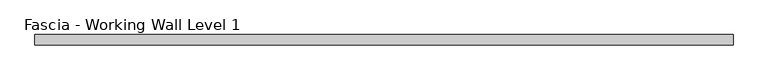
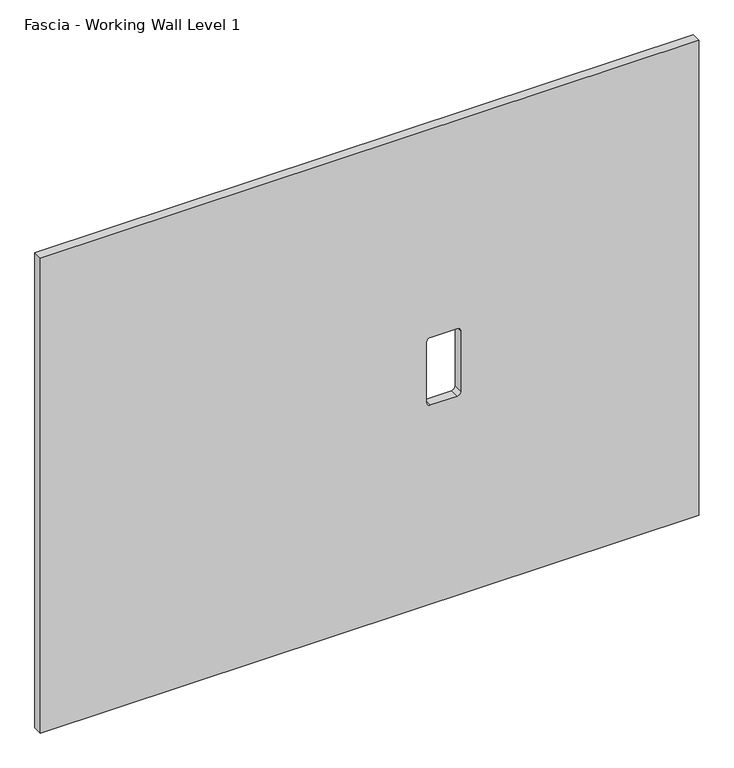
"""IFC4 building model written with IfcOpenShell, lengths in millimetres: proxy geometry, Fascia - Working Wall Level 1."""

from ifc_helpers import new_model, si_unit, point, frame, frame_2d, origin, place, context, project, spatial, polyline, circle_curve, trimmed, segment, composite_curve, outline, extrude, source, transform, mapped, element, save


def fascia_working_wall_level_1_a91f8a1e(model_context):
    return source(origin(), model_context, "Body", "SweptSolid", [
        extrude(outline(polyline([(918.2606874, -619.7777862), (0.0, -619.7777862), (0.0, 585.2252112), (918.2606874, 585.2252112), (918.2606874, -619.7777862)]), holes=[composite_curve([segment(polyline([(384.9156731, 142.7295257), (384.9156731, 93.8853257)]), True, "CONTINUOUS"), segment(trimmed(circle_curve(frame_2d((391.2656731, 93.8853257)), 6.35), [point((384.9156731, 93.8853257))], [point((391.2656731, 87.5353257))], True, "CARTESIAN"), True, "CONTINUOUS"), segment(polyline([(391.2656731, 87.5353257), (509.0200731, 87.5353257)]), True, "CONTINUOUS"), segment(trimmed(circle_curve(frame_2d((509.0200731, 93.8853257)), 6.35), [point((509.0200731, 87.5353257))], [point((515.3700731, 93.8853257))], True, "CARTESIAN"), True, "CONTINUOUS"), segment(polyline([(515.3700731, 93.8853257), (515.3700731, 142.7295257)]), True, "CONTINUOUS"), segment(trimmed(circle_curve(frame_2d((509.0200731, 142.7295257)), 6.35), [point((515.3700731, 142.7295257))], [point((509.0200731, 149.0795257))], True, "CARTESIAN"), True, "CONTINUOUS"), segment(polyline([(509.0200731, 149.0795257), (391.2656731, 149.0795257)]), True, "CONTINUOUS"), segment(trimmed(circle_curve(frame_2d((391.2656731, 142.7295257)), 6.35), [point((391.2656731, 149.0795257))], [point((384.9156731, 142.7295257))], True, "CARTESIAN"), True, "CONTINUOUS")], self_intersect=False)]), frame((0.0, -24.22678, 0.0), z_axis=(0.0, 1.0, 0.0), x_axis=(0.0, 0.0, 1.0)), (0.0, 0.0, 1.0), 17.4752),
    ])


if __name__ == "__main__":
    model = new_model("IFC4")
    model_context = context("Model", 3, world=origin())
    ifc_project = project(units=[si_unit("LENGTHUNIT", "METRE", prefix="MILLI")], contexts=[model_context])
    site = spatial("IfcSite", under=ifc_project)
    building = spatial("IfcBuilding", under=site)
    placement = place(None, origin())
    fascia_working_wall_level_1_shape = fascia_working_wall_level_1_a91f8a1e(model_context)
    element("IfcBuildingElementProxy", 1, Name="Fascia - Working Wall Level 1", ObjectType="Fascia - Working Wall Level 1", at=placement, inside=building, context=model_context, shape_type="MappedRepresentation", body=[
        mapped(fascia_working_wall_level_1_shape, transform((0.0, 0.0, 0.0), x_axis=(1.0, 0.0, 0.0), y_axis=(0.0, 1.0, 0.0), z_axis=(0.0, 0.0, 1.0))),
    ])
    save(model, "model.ifc")
